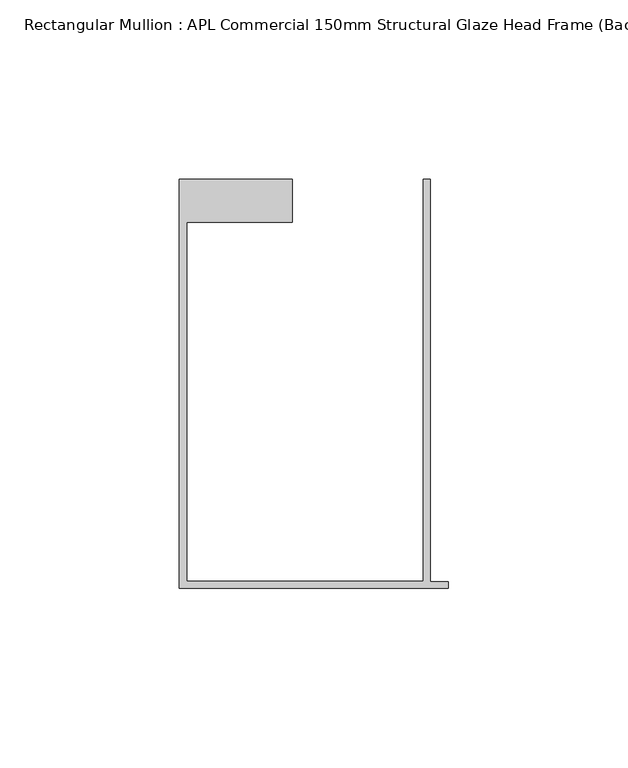
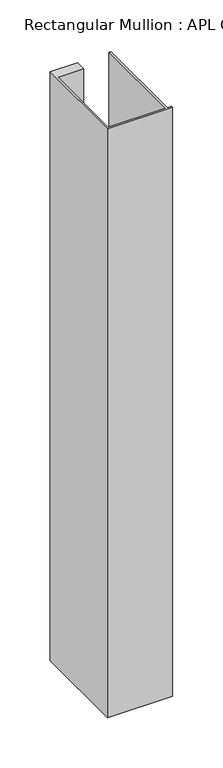
"""IFC4 building model written with IfcOpenShell, lengths in millimetres: member geometry, Rectangular Mullion : APL Commercial 150mm Structural Glaze Head Frame (Back)."""

import ifcopenshell
import ifcopenshell.guid

model = None  # the IFC model being written
_history = None  # IfcOwnerHistory: only IFC2X3 demands one
_inside = {}  # id of a spatial element -> (the spatial element, [elements in it])
_under = {}  # id of a project, library or spatial element -> (it, [spatial elements below it])
_declared = {}  # id of a project -> (the project, [libraries it declares])
_typed = {}  # id of a type object -> (the type object, [elements of that type])
_made_of = {}  # id of a material, layer set ... -> (it, [elements and type objects made of it])


def new_model(schema):
    """Start an empty IFC model of exactly this schema.

    Asked for "IFC4X3", IfcOpenShell would pick the latest addendum, in which some entities
    have other attributes; the version numbers below select the first issue.
    IFC2X3 requires an IfcOwnerHistory on every rooted entity: one is made here for all.
    """
    global model, _history
    if schema == "IFC4X3":
        model = ifcopenshell.file(schema_version=(4, 3, 0, 0))
    else:
        model = ifcopenshell.file(schema=schema)
    _inside.clear()
    _under.clear()
    _declared.clear()
    _typed.clear()
    _made_of.clear()
    _history = None
    if model.schema == "IFC2X3":
        org = make("IfcOrganization", Name="unknown")
        user = make(
            "IfcPersonAndOrganization",
            ThePerson=make("IfcPerson", FamilyName="unknown"),
            TheOrganization=org,
        )
        app = make(
            "IfcApplication",
            ApplicationDeveloper=org,
            Version="unknown",
            ApplicationFullName="unknown",
            ApplicationIdentifier="unknown",
        )
        _history = make(
            "IfcOwnerHistory",
            OwningUser=user,
            OwningApplication=app,
            ChangeAction="ADDED",
            CreationDate=0,
        )
    return model


def make(cls, **values):
    """One entity of the class cls with the attributes given. An attribute that is None is left unset."""
    return model.create_entity(
        cls, **{name: value for name, value in values.items() if value is not None}
    )


def rooted(cls, **values):
    """An entity with a GlobalId (a new one), such as an element, a storey or a relation."""
    return make(cls, GlobalId=ifcopenshell.guid.new(), OwnerHistory=_history, **values)


def si_unit(unit_type, name, prefix=None):
    """IfcSIUnit, for example si_unit("LENGTHUNIT", "METRE", prefix="MILLI")."""
    return make("IfcSIUnit", UnitType=unit_type, Prefix=prefix, Name=name)


def assignment(units):
    """IfcUnitAssignment: the units of a project."""
    return None if units is None else make("IfcUnitAssignment", Units=units)


def point(xyz):
    """IfcCartesianPoint."""
    return None if xyz is None else make("IfcCartesianPoint", Coordinates=xyz)


def direction(xyz):
    """IfcDirection."""
    return None if xyz is None else make("IfcDirection", DirectionRatios=xyz)


def frame(location, z_axis=None, x_axis=None):
    """IfcAxis2Placement3D, a coordinate frame: its origin and axes. An axis left out is left unset."""
    return make(
        "IfcAxis2Placement3D",
        Location=point(location),
        Axis=direction(z_axis),
        RefDirection=direction(x_axis),
    )


def origin():
    """The frame at (0, 0, 0) with its axes left unset."""
    return frame((0.0, 0.0, 0.0))


def place(relative_to, where):
    """IfcLocalPlacement: puts the frame where relative to a parent placement (None: the world)."""
    return make(
        "IfcLocalPlacement", PlacementRelTo=relative_to, RelativePlacement=where
    )


def context(
    kind, dimensions, precision=None, world=None, true_north=None, identifier=None
):
    """IfcGeometricRepresentationContext, for example the 3D "Model" context."""
    return make(
        "IfcGeometricRepresentationContext",
        ContextIdentifier=identifier,
        ContextType=kind,
        CoordinateSpaceDimension=dimensions,
        Precision=precision,
        WorldCoordinateSystem=world,
        TrueNorth=true_north,
    )


def project(units=None, contexts=None):
    """IfcProject with its units and contexts."""
    return rooted(
        "IfcProject",
        Name="project",
        RepresentationContexts=contexts,
        UnitsInContext=assignment(units),
    )


def spatial(cls, under=None, at=None, **own):
    """A site, building, storey or space (cls), placed at a placement, below another one or the project."""
    s = rooted(cls, ObjectPlacement=at, **own)
    if under is not None:
        _under.setdefault(under.id(), (under, []))[1].append(s)
    return s


def polyline(points):
    """IfcPolyline through the points."""
    return make("IfcPolyline", Points=[point(p) for p in points])


def outline(outer, holes=None, kind="AREA"):
    """IfcArbitraryClosedProfileDef: a profile drawn as a closed curve; with holes, ...WithVoids."""
    if holes is None:
        return make("IfcArbitraryClosedProfileDef", ProfileType=kind, OuterCurve=outer)
    return make(
        "IfcArbitraryProfileDefWithVoids",
        ProfileType=kind,
        OuterCurve=outer,
        InnerCurves=holes,
    )


def extrude(swept, where, along, depth):
    """IfcExtrudedAreaSolid: the profile swept, set in the frame where, extruded along a direction by depth."""
    return make(
        "IfcExtrudedAreaSolid",
        SweptArea=swept,
        Position=where,
        ExtrudedDirection=direction(along),
        Depth=depth,
    )


def shape(context_of_items, identifier, shape_type, items):
    """IfcShapeRepresentation: the items that make up one representation, for example the "Body"."""
    return make(
        "IfcShapeRepresentation",
        ContextOfItems=context_of_items,
        RepresentationIdentifier=identifier,
        RepresentationType=shape_type,
        Items=items,
    )


def source(mapping_origin, context_of_items, identifier, shape_type, items):
    """IfcRepresentationMap: a shape defined once, which mapped items show again and again."""
    return make(
        "IfcRepresentationMap",
        MappingOrigin=mapping_origin,
        MappedRepresentation=shape(context_of_items, identifier, shape_type, items),
    )


def transform(
    local_origin,
    x_axis=None,
    y_axis=None,
    z_axis=None,
    scale=None,
    scale2=None,
    scale3=None,
    uniform=True,
):
    """IfcCartesianTransformationOperator3D, or its non-uniform kind. x_axis, y_axis, z_axis: its Axis1, 2, 3."""
    if uniform:
        return make(
            "IfcCartesianTransformationOperator3D",
            Axis1=direction(x_axis),
            Axis2=direction(y_axis),
            LocalOrigin=point(local_origin),
            Scale=scale,
            Axis3=direction(z_axis),
        )
    return make(
        "IfcCartesianTransformationOperator3DnonUniform",
        Axis1=direction(x_axis),
        Axis2=direction(y_axis),
        LocalOrigin=point(local_origin),
        Scale=scale,
        Axis3=direction(z_axis),
        Scale2=scale2,
        Scale3=scale3,
    )


def mapped(mapping_source, mapping_target):
    """IfcMappedItem: shows the shape of a source again, moved by a transform."""
    return make(
        "IfcMappedItem", MappingSource=mapping_source, MappingTarget=mapping_target
    )


def made_of(thing, what):
    """Note that an element or type object is made of a material, layer set ...; save() writes the relation."""
    if what is not None:
        _made_of.setdefault(what.id(), (what, []))[1].append(thing)
    return thing


def element(
    cls,
    number,
    at=None,
    inside=None,
    cuts=None,
    type_object=None,
    material=None,
    context=None,
    identifier="Body",
    shape_type=None,
    held_by="IfcProductDefinitionShape",
    body=None,
    shapes=None,
    **own,
):
    """One element of the class cls, such as IfcWall. Its Tag is "e" and its number.

    at: its placement. inside: the storey or other place that contains it. cuts: it is an
    opening in that element (IfcRelVoidsElement). A single representation is given by context,
    identifier, shape_type and body (its items); several are given by shapes. held_by: the class
    of the entity that holds the representations. save() writes the other relations.
    """
    e = rooted(cls, Tag="e%d" % number, ObjectPlacement=at, **own)
    if body is not None:
        shapes = [shape(context, identifier, shape_type, body)]
    if shapes is not None:
        e.Representation = make(held_by, Representations=shapes)
    if inside is not None:
        _inside.setdefault(inside.id(), (inside, []))[1].append(e)
    if cuts is not None:
        rooted(
            "IfcRelVoidsElement", RelatingBuildingElement=cuts, RelatedOpeningElement=e
        )
    if type_object is not None:
        _typed.setdefault(type_object.id(), (type_object, []))[1].append(e)
    return made_of(e, material)


def aggregate(whole, parts):
    """IfcRelAggregates: a whole, such as a stair, and the parts it consists of."""
    return rooted("IfcRelAggregates", RelatingObject=whole, RelatedObjects=parts)


def save(model, path):
    """Write the relations noted so far, then the file.

    IfcRelAggregates (storeys below a building ...), IfcRelContainedInSpatialStructure (elements
    in a storey), IfcRelDefinesByType, IfcRelAssociatesMaterial and IfcRelDeclares: one each for
    every whole, place, type object, material and project.
    """
    for whole, parts in _under.values():
        aggregate(whole, parts)
    for where, things in _inside.values():
        rooted(
            "IfcRelContainedInSpatialStructure",
            RelatedElements=things,
            RelatingStructure=where,
        )
    for kind, things in _typed.values():
        rooted("IfcRelDefinesByType", RelatedObjects=things, RelatingType=kind)
    for what, things in _made_of.values():
        rooted("IfcRelAssociatesMaterial", RelatedObjects=things, RelatingMaterial=what)
    for by, libraries in _declared.values():
        rooted("IfcRelDeclares", RelatingContext=by, RelatedDefinitions=libraries)
    model.write(path)


def rectangular_mullion_apl_commercial_150mm_structural_glaze_13f7cd92(model_context):
    return source(origin(), model_context, "Body", "SweptSolid", [
        extrude(outline(polyline([(-75.0, -128.9993063), (-75.0, -14.9998342), (-43.5000151, -14.9998342), (-43.5000151, -26.9997514), (-73.0, -26.9997514), (-73.0, -126.9993063), (-7.0, -126.9993063), (-7.0, -14.9998342), (-5.0, -14.9998342), (-5.0, -127.1993063), (0.0, -127.1993063), (0.0, -128.9993063), (-75.0, -128.9993063)])), frame((0.0, 0.0, -715.3626887), z_axis=(0.0, 0.0, 1.0), x_axis=(1.0, 0.0, 0.0)), (0.0, 0.0, 1.0), 715.3626887),
    ])


if __name__ == "__main__":
    model = new_model("IFC4")
    model_context = context("Model", 3, world=origin())
    ifc_project = project(units=[si_unit("LENGTHUNIT", "METRE", prefix="MILLI")], contexts=[model_context])
    site = spatial("IfcSite", under=ifc_project)
    building = spatial("IfcBuilding", under=site)
    placement = place(None, origin())
    rectangular_mullion_apl_commercial_150mm_structural_glaze_shape = rectangular_mullion_apl_commercial_150mm_structural_glaze_13f7cd92(model_context)
    element("IfcMember", 1, ObjectType="Rectangular Mullion : APL Commercial 150mm Structural Glaze Head Frame (Back)", at=placement, inside=building, context=model_context, shape_type="MappedRepresentation", body=[
        mapped(rectangular_mullion_apl_commercial_150mm_structural_glaze_shape, transform((0.0, 0.0, 0.0), x_axis=(1.0, 0.0, 0.0), y_axis=(0.0, 1.0, 0.0), z_axis=(0.0, 0.0, 1.0))),
    ])
    save(model, "model.ifc")
